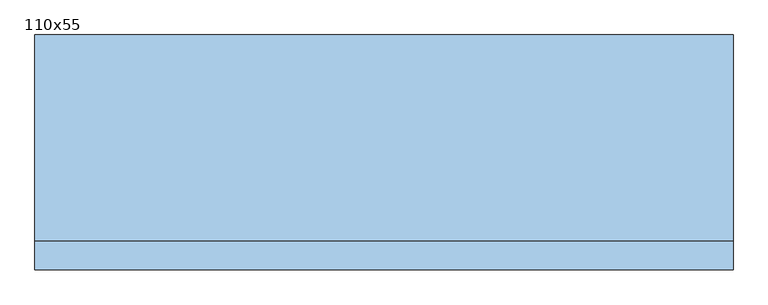
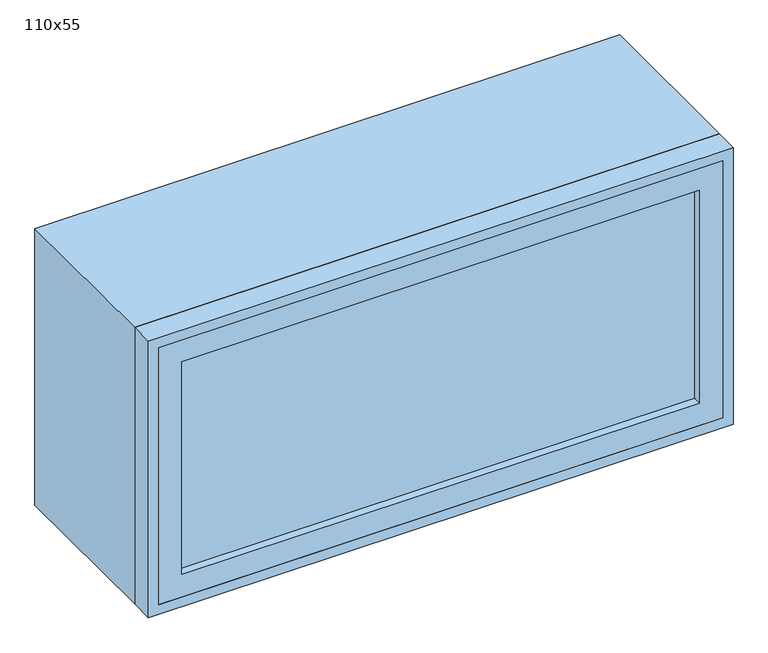
"""IFC4 building model written with IfcOpenShell, lengths in millimetres: window geometry, 110x55."""

from ifc_helpers import new_model, si_unit, frame, origin, place, context, project, spatial, polyline, outline, extrude, source, transform, mapped, element, save


def window_110x55_e9358a85(model_context):
    return source(origin(), model_context, "Body", "SweptSolid", [
        extrude(outline(polyline([(448.4, -155.425), (448.4, -168.125), (-524.6, -168.125), (-524.6, -155.425), (448.4, -155.425)])), frame((0.0, 0.0, 977.9), z_axis=(0.0, 0.0, 1.0), x_axis=(1.0, 0.0, 0.0)), (0.0, 0.0, 1.0), 423.0),
        extrude(outline(polyline([(1445.35, -569.05), (933.45, -569.05), (933.45, 492.85), (1445.35, 492.85), (1445.35, -569.05)]), holes=[polyline([(1400.9, -524.6), (1400.9, 448.4), (977.9, 448.4), (977.9, -524.6), (1400.9, -524.6)])]), frame((0.0, -184.0, 0.0), z_axis=(0.0, 1.0, 0.0), x_axis=(0.0, 0.0, 1.0)), (0.0, 0.0, 1.0), 44.45),
        extrude(outline(polyline([(1464.4, -588.1), (914.4, -588.1), (914.4, 511.9), (1464.4, 511.9), (1464.4, -588.1)]), holes=[polyline([(1432.65, -556.35), (1432.65, 480.15), (946.15, 480.15), (946.15, -556.35), (1432.65, -556.35)])]), frame((0.0, -139.55, 0.0), z_axis=(0.0, 1.0, 0.0), x_axis=(0.0, 0.0, 1.0)), (0.0, 0.0, 1.0), 324.55),
        extrude(outline(polyline([(1464.4, 511.9), (1464.4, -588.1), (914.4, -588.1), (914.4, 511.9), (1464.4, 511.9)]), holes=[polyline([(1445.35, 492.85), (933.45, 492.85), (933.45, -569.05), (1445.35, -569.05), (1445.35, 492.85)])]), frame((0.0, -185.0, 0.0), z_axis=(0.0, 1.0, 0.0), x_axis=(0.0, 0.0, 1.0)), (0.0, 0.0, 1.0), 45.45),
    ])


if __name__ == "__main__":
    model = new_model("IFC4")
    model_context = context("Model", 3, world=origin())
    ifc_project = project(units=[si_unit("LENGTHUNIT", "METRE", prefix="MILLI")], contexts=[model_context])
    site = spatial("IfcSite", under=ifc_project)
    building = spatial("IfcBuilding", under=site)
    placement = place(None, origin())
    window_110x55_shape = window_110x55_e9358a85(model_context)
    element("IfcWindow", 1, ObjectType="110x55", at=placement, inside=building, context=model_context, shape_type="MappedRepresentation", body=[
        mapped(window_110x55_shape, transform((0.0, 0.0, 0.0), x_axis=(1.0, 0.0, 0.0), y_axis=(0.0, 1.0, 0.0), z_axis=(0.0, 0.0, 1.0))),
    ])
    save(model, "model.ifc")
